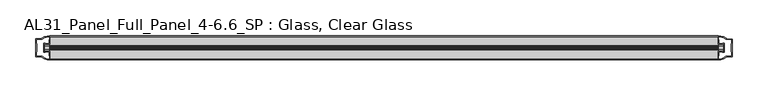
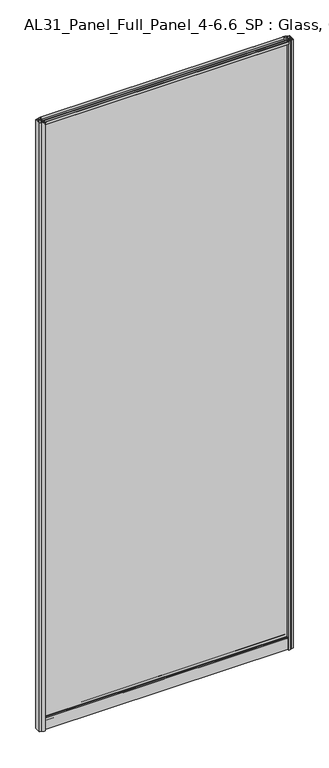
"""IFC4 building model written with IfcOpenShell, lengths in millimetres: plate geometry, AL31_Panel_Full_Panel_4-6.6_SP : Glass, Clear Glass."""

from ifc_helpers import new_model, si_unit, point, frame, frame_2d, origin, origin_with_axes, place, context, project, spatial, polyline, circle_curve, trimmed, segment, composite_curve, outline, extrude, source, transform, mapped, element, save


def al31_panel_full_panel_4_6_6_sp_glass_clear_glass_bef6c4b0(model_context):
    return source(origin(), model_context, "Body", "SweptSolid", [
        extrude(outline(composite_curve([segment(polyline([(-1.4, 2468.8980762), (-0.85, 2467.9454483)]), True, "CONTINUOUS"), segment(trimmed(circle_curve(frame_2d((0.1, 2466.3)), 1.9), [point((-0.85, 2467.9454483))], [point((1.05, 2467.9454483))], True, "CARTESIAN"), True, "CONTINUOUS"), segment(polyline([(1.05, 2467.9454483), (1.6, 2468.8980762)]), True, "CONTINUOUS"), segment(trimmed(circle_curve(frame_2d((0.1, 2466.3)), 3.0), [point((1.6, 2468.8980762))], [point((2.5718414, 2464.6))], False, "CARTESIAN"), True, "CONTINUOUS"), segment(polyline([(2.5718414, 2464.6), (15.7, 2464.6), (15.7, 2474.0), (17.0, 2474.0), (17.0, 2463.5), (6.7024688, 2463.5), (6.7024688, 2462.7), (6.1968782, 2460.7785039), (6.1968782, 2456.1), (5.0, 2456.1), (5.0, 2461.4339746), (5.5, 2462.3), (5.5, 2463.5), (-5.5, 2463.5), (-5.5, 2462.3), (-5.0, 2461.4339746), (-5.0, 2456.1), (-6.1968782, 2456.1), (-6.1968782, 2460.7785039), (-6.7024688, 2462.7), (-6.7024688, 2463.5), (-17.0, 2463.5), (-17.0, 2474.0), (-15.7, 2474.0), (-15.7, 2464.6), (-2.3718414, 2464.6)]), True, "CONTINUOUS"), segment(trimmed(circle_curve(frame_2d((0.1, 2466.3)), 3.0), [point((-2.3718414, 2464.6))], [point((-1.4, 2468.8980762))], False, "CARTESIAN"), True, "CONTINUOUS")], self_intersect=False)), frame((-468.0405526, 0.0, 0.0), z_axis=(1.0, 0.0, 0.0), x_axis=(0.0, 1.0, 0.0)), (0.0, 0.0, 1.0), 936.0811053),
        extrude(outline(composite_curve([segment(polyline([(-475.881974, -5.9), (-474.681974, -5.9), (-474.681974, -5.0), (-468.0405526, -5.0), (-468.0405526, -17.0001453)]), True, "CONTINUOUS"), segment(trimmed(circle_curve(frame_2d((-467.675901, 2.9965302)), 20.0), [point((-468.0405526, -17.0001453))], [point((-479.3963879, -13.2093388))], False, "CARTESIAN"), True, "CONTINUOUS"), segment(polyline([(-479.3963879, -13.2093388), (-479.3963879, -12.3279343), (-488.0405526, -12.3279343), (-488.0405526, 12.3720657), (-479.3963879, 12.3720657), (-479.3963879, 13.2095249)]), True, "CONTINUOUS"), segment(trimmed(circle_curve(frame_2d((-467.675901, -2.9963441)), 20.0), [point((-479.3963879, 13.2095249))], [point((-468.0405526, 17.0003314))], False, "CARTESIAN"), True, "CONTINUOUS"), segment(polyline([(-468.0405526, 17.0003314), (-468.0405526, 5.0), (-474.681974, 5.0), (-474.681974, 5.9), (-475.881974, 5.9), (-475.881974, -5.9)]), True, "CONTINUOUS")], self_intersect=False), holes=[composite_curve([segment(trimmed(circle_curve(frame_2d((-474.881974, 5.7)), 1.5), [point((-474.881974, 7.2))], [point((-473.5267197, 6.3428731))], False, "CARTESIAN"), True, "CONTINUOUS"), segment(polyline([(-473.5267197, 6.3428731), (-469.781974, 6.3428731), (-469.781974, 10.939223), (-469.3426342, 11.9998832), (-469.3426342, 15.6499817)]), True, "CONTINUOUS"), segment(trimmed(circle_curve(frame_2d((-467.675901, -2.9755921)), 18.7), [point((-469.3426342, 15.6499817))], [point((-477.6826788, 12.8216987))], True, "CARTESIAN"), True, "CONTINUOUS"), segment(trimmed(circle_curve(frame_2d((-479.481974, 12.8720657)), 1.8), [point((-477.6826788, 12.8216987))], [point((-479.481974, 11.0720657))], False, "CARTESIAN"), True, "CONTINUOUS"), segment(polyline([(-479.481974, 11.0720657), (-486.6233953, 11.0720657), (-486.6233953, 6.5019606), (-486.181974, 5.439223), (-486.181974, -5.3950916), (-486.681974, -6.3879987), (-486.681974, -11.0279343), (-479.481974, -11.0279343)]), True, "CONTINUOUS"), segment(trimmed(circle_curve(frame_2d((-479.481974, -12.8279343)), 1.8), [point((-479.481974, -11.0279343))], [point((-477.6826788, -12.7775673))], False, "CARTESIAN"), True, "CONTINUOUS"), segment(trimmed(circle_curve(frame_2d((-467.675901, 3.0197235)), 18.7), [point((-477.6826788, -12.7775673))], [point((-469.3426342, -15.6058503))], True, "CARTESIAN"), True, "CONTINUOUS"), segment(polyline([(-469.3426342, -15.6058503), (-469.3426342, -11.9557518), (-469.781974, -10.8950916), (-469.781974, -6.2991308), (-473.5068223, -6.2991308)]), True, "CONTINUOUS"), segment(trimmed(circle_curve(frame_2d((-474.881974, -5.7)), 1.5), [point((-473.5068223, -6.2991308))], [point((-474.881974, -7.2))], False, "CARTESIAN"), True, "CONTINUOUS"), segment(polyline([(-474.881974, -7.2), (-477.181974, -7.2), (-477.181974, 7.2), (-474.881974, 7.2)]), True, "CONTINUOUS")], self_intersect=False)]), origin_with_axes(), (0.0, 0.0, 1.0), 2474.0),
        extrude(outline(composite_curve([segment(polyline([(475.881974, 5.9), (474.681974, 5.9), (474.681974, 5.0), (468.0405526, 5.0), (468.0405526, 17.0001453)]), True, "CONTINUOUS"), segment(trimmed(circle_curve(frame_2d((467.675901, -2.9965302)), 20.0), [point((468.0405526, 17.0001453))], [point((479.3963879, 13.2093388))], False, "CARTESIAN"), True, "CONTINUOUS"), segment(polyline([(479.3963879, 13.2093388), (479.3963879, 12.3279343), (488.0405526, 12.3279343), (488.0405526, -12.3720657), (479.3963879, -12.3720657), (479.3963879, -13.2095249)]), True, "CONTINUOUS"), segment(trimmed(circle_curve(frame_2d((467.675901, 2.9963441)), 20.0), [point((479.3963879, -13.2095249))], [point((468.0405526, -17.0003314))], False, "CARTESIAN"), True, "CONTINUOUS"), segment(polyline([(468.0405526, -17.0003314), (468.0405526, -5.0), (474.681974, -5.0), (474.681974, -5.9), (475.881974, -5.9), (475.881974, 5.9)]), True, "CONTINUOUS")], self_intersect=False), holes=[composite_curve([segment(trimmed(circle_curve(frame_2d((474.881974, -5.7)), 1.5), [point((474.881974, -7.2))], [point((473.5267197, -6.3428731))], False, "CARTESIAN"), True, "CONTINUOUS"), segment(polyline([(473.5267197, -6.3428731), (469.781974, -6.3428731), (469.781974, -10.939223), (469.3426342, -11.9998832), (469.3426342, -15.6499817)]), True, "CONTINUOUS"), segment(trimmed(circle_curve(frame_2d((467.675901, 2.9755921)), 18.7), [point((469.3426342, -15.6499817))], [point((477.6826788, -12.8216987))], True, "CARTESIAN"), True, "CONTINUOUS"), segment(trimmed(circle_curve(frame_2d((479.481974, -12.8720657)), 1.8), [point((477.6826788, -12.8216987))], [point((479.481974, -11.0720657))], False, "CARTESIAN"), True, "CONTINUOUS"), segment(polyline([(479.481974, -11.0720657), (486.6233953, -11.0720657), (486.6233953, -6.5019606), (486.181974, -5.439223), (486.181974, 5.3950916), (486.681974, 6.3879987), (486.681974, 11.0279343), (479.481974, 11.0279343)]), True, "CONTINUOUS"), segment(trimmed(circle_curve(frame_2d((479.481974, 12.8279343)), 1.8), [point((479.481974, 11.0279343))], [point((477.6826788, 12.7775673))], False, "CARTESIAN"), True, "CONTINUOUS"), segment(trimmed(circle_curve(frame_2d((467.675901, -3.0197235)), 18.7), [point((477.6826788, 12.7775673))], [point((469.3426342, 15.6058503))], True, "CARTESIAN"), True, "CONTINUOUS"), segment(polyline([(469.3426342, 15.6058503), (469.3426342, 11.9557518), (469.781974, 10.8950916), (469.781974, 6.2991308), (473.5068223, 6.2991308)]), True, "CONTINUOUS"), segment(trimmed(circle_curve(frame_2d((474.881974, 5.7)), 1.5), [point((473.5068223, 6.2991308))], [point((474.881974, 7.2))], False, "CARTESIAN"), True, "CONTINUOUS"), segment(polyline([(474.881974, 7.2), (477.181974, 7.2), (477.181974, -7.2), (474.881974, -7.2)]), True, "CONTINUOUS")], self_intersect=False)]), origin_with_axes(), (0.0, 0.0, 1.0), 2474.0),
        extrude(outline(composite_curve([segment(trimmed(circle_curve(frame_2d((-8.4, 34.8)), 1.0), [point((-8.4, 35.8))], [point((-9.4, 34.8))], True, "CARTESIAN"), True, "CONTINUOUS"), segment(polyline([(-9.4, 34.8), (-9.4, 33.5), (-5.0000303, 33.5), (-5.0000303, 32.3), (-9.4, 32.3), (-9.4, 0.0), (-10.6, 0.0), (-10.6, 47.3)]), True, "CONTINUOUS"), segment(trimmed(circle_curve(frame_2d((-8.6, 47.3)), 2.0), [point((-10.6, 47.3))], [point((-8.6, 49.3))], False, "CARTESIAN"), True, "CONTINUOUS"), segment(polyline([(-8.6, 49.3), (-5.0, 49.3), (-5.0, 41.9), (5.0, 41.9), (5.0, 49.3), (8.6, 49.3)]), True, "CONTINUOUS"), segment(trimmed(circle_curve(frame_2d((8.6, 47.3)), 2.0), [point((8.6, 49.3))], [point((10.6, 47.3))], False, "CARTESIAN"), True, "CONTINUOUS"), segment(polyline([(10.6, 47.3), (10.6, 0.0), (9.4, 0.0), (9.4, 32.3), (4.9999697, 32.3), (4.9999697, 33.5), (9.4, 33.5), (9.4, 34.8)]), True, "CONTINUOUS"), segment(trimmed(circle_curve(frame_2d((8.4, 34.8)), 1.0), [point((9.4, 34.8))], [point((8.4, 35.8))], True, "CARTESIAN"), True, "CONTINUOUS"), segment(polyline([(8.4, 35.8), (-8.4, 35.8)]), True, "CONTINUOUS")], self_intersect=False), holes=[composite_curve([segment(trimmed(circle_curve(frame_2d((5.5024688, 41.8)), 1.0), [point((6.5024688, 41.8))], [point((5.5024688, 40.8))], False, "CARTESIAN"), True, "CONTINUOUS"), segment(polyline([(5.5024688, 40.8), (2.8008965, 40.8), (2.8008965, 39.7274194), (1.8370508, 39.7274194)]), True, "CONTINUOUS"), segment(trimmed(circle_curve(frame_2d((0.0, 38.7)), 2.1048387), [point((1.8370508, 39.7274194))], [point((-1.8370508, 39.7274194))], True, "CARTESIAN"), True, "CONTINUOUS"), segment(polyline([(-1.8370508, 39.7274194), (-2.8008965, 39.7274194), (-2.8008965, 40.8), (-5.5024688, 40.8)]), True, "CONTINUOUS"), segment(trimmed(circle_curve(frame_2d((-5.5024688, 41.8)), 1.0), [point((-5.5024688, 40.8))], [point((-6.5024688, 41.8))], False, "CARTESIAN"), True, "CONTINUOUS"), segment(polyline([(-6.5024688, 41.8), (-6.5024688, 42.7)]), True, "CONTINUOUS"), segment(trimmed(circle_curve(frame_2d((-5.3024688, 42.7)), 1.2), [point((-6.5024688, 42.7))], [point((-6.1198184, 43.5786009))], False, "CARTESIAN"), True, "CONTINUOUS"), segment(polyline([(-6.1198184, 43.5786009), (-6.1198184, 48.2), (-8.4, 48.2)]), True, "CONTINUOUS"), segment(trimmed(circle_curve(frame_2d((-8.4, 47.2)), 1.0), [point((-8.4, 48.2))], [point((-9.4, 47.2))], True, "CARTESIAN"), True, "CONTINUOUS"), segment(polyline([(-9.4, 47.2), (-9.4, 37.04), (-2.8008965, 37.04), (-2.8008965, 38.0725806), (-1.8370508, 38.0725806)]), True, "CONTINUOUS"), segment(trimmed(circle_curve(frame_2d((0.0, 39.1)), 2.1048387), [point((-1.8370508, 38.0725806))], [point((1.8370508, 38.0725806))], True, "CARTESIAN"), True, "CONTINUOUS"), segment(polyline([(1.8370508, 38.0725806), (2.8008965, 38.0725806), (2.8008965, 37.04), (9.4, 37.04), (9.4, 47.2)]), True, "CONTINUOUS"), segment(trimmed(circle_curve(frame_2d((8.4, 47.2)), 1.0), [point((9.4, 47.2))], [point((8.4, 48.2))], True, "CARTESIAN"), True, "CONTINUOUS"), segment(polyline([(8.4, 48.2), (6.1198184, 48.2), (6.1198184, 43.7786009)]), True, "CONTINUOUS"), segment(trimmed(circle_curve(frame_2d((5.3024688, 42.9)), 1.2), [point((6.1198184, 43.7786009))], [point((6.5024688, 42.9))], False, "CARTESIAN"), True, "CONTINUOUS"), segment(polyline([(6.5024688, 42.9), (6.5024688, 41.8)]), True, "CONTINUOUS")], self_intersect=False)]), frame((-468.0405526, 0.0, 0.0), z_axis=(1.0, 0.0, 0.0), x_axis=(0.0, 1.0, 0.0)), (0.0, 0.0, 1.0), 936.0811053),
        extrude(outline(polyline([(475.881974, 2.0), (475.881974, -2.0), (-475.881974, -2.0), (-475.881974, 2.0), (475.881974, 2.0)])), frame((0.0, 0.0, 41.9), z_axis=(0.0, 0.0, 1.0), x_axis=(1.0, 0.0, 0.0)), (0.0, 0.0, 1.0), 2421.6),
    ])


if __name__ == "__main__":
    model = new_model("IFC4")
    model_context = context("Model", 3, world=origin())
    ifc_project = project(units=[si_unit("LENGTHUNIT", "METRE", prefix="MILLI")], contexts=[model_context])
    site = spatial("IfcSite", under=ifc_project)
    building = spatial("IfcBuilding", under=site)
    placement = place(None, origin())
    al31_panel_full_panel_4_6_6_sp_glass_clear_glass_shape = al31_panel_full_panel_4_6_6_sp_glass_clear_glass_bef6c4b0(model_context)
    element("IfcPlate", 1, ObjectType="AL31_Panel_Full_Panel_4-6.6_SP : Glass, Clear Glass", at=placement, inside=building, context=model_context, shape_type="MappedRepresentation", body=[
        mapped(al31_panel_full_panel_4_6_6_sp_glass_clear_glass_shape, transform((0.0, 0.0, 0.0), x_axis=(1.0, 0.0, 0.0), y_axis=(0.0, 1.0, 0.0), z_axis=(0.0, 0.0, 1.0))),
    ])
    save(model, "model.ifc")
